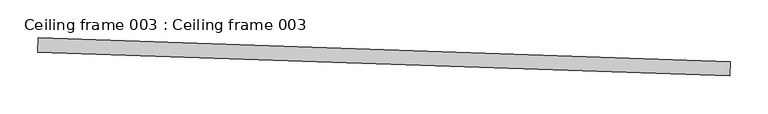
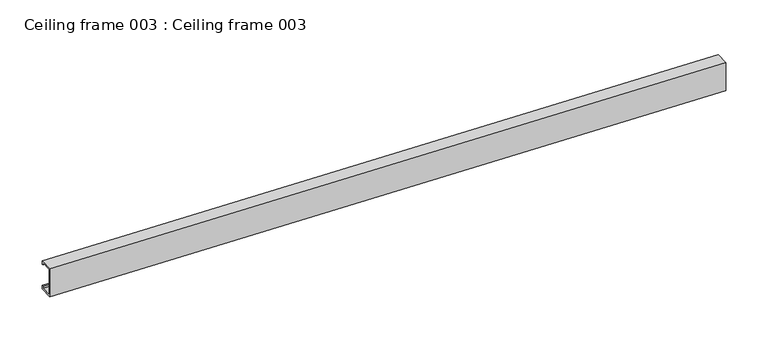
"""IFC4 building model written with IfcOpenShell, lengths in millimetres: proxy geometry, Ceiling frame 003 : Ceiling frame 003."""

from ifc_helpers import new_model, si_unit, frame, origin, place, context, project, spatial, polyline, outline, extrude, source, transform, mapped, element, save


def ceiling_frame_003_ceiling_frame_003_a0b84c22(model_context):
    return source(origin(), model_context, "Body", "SweptSolid", [
        extrude(outline(polyline([(1.822266, 0.0), (1.822266, -4.7988281), (-17.0253902, -4.7988281), (-17.0253902, 35.8222645), (1.8222636, 35.8222645), (1.8222636, 31.0234375), (-1.8e-06, 31.0234375), (-1.8e-06, 33.999999), (-15.2031248, 33.999999), (-15.2031248, -2.9765626), (0.0, -2.9765626), (0.0, 0.0), (1.822266, 0.0)])), frame((34341.2661621, -15859.3860645, 3083.6498026), z_axis=(-0.9994149479163345, 0.034201781845258176, 0.0), x_axis=(0.034201781845258176, 0.9994149479163345, 0.0)), (0.0, 0.0, 1.0), 914.3999924),
    ])


if __name__ == "__main__":
    model = new_model("IFC4")
    model_context = context("Model", 3, world=origin())
    ifc_project = project(units=[si_unit("LENGTHUNIT", "METRE", prefix="MILLI")], contexts=[model_context])
    site = spatial("IfcSite", under=ifc_project)
    building = spatial("IfcBuilding", under=site)
    placement = place(None, origin())
    ceiling_frame_003_ceiling_frame_003_shape = ceiling_frame_003_ceiling_frame_003_a0b84c22(model_context)
    element("IfcBuildingElementProxy", 1, Name="Ceiling frame 003 : Ceiling frame 003", ObjectType="Ceiling frame 003 : Ceiling frame 003", at=placement, inside=building, context=model_context, shape_type="MappedRepresentation", body=[
        mapped(ceiling_frame_003_ceiling_frame_003_shape, transform((0.0, 0.0, 0.0), x_axis=(1.0, 0.0, 0.0), y_axis=(0.0, 1.0, 0.0), z_axis=(0.0, 0.0, 1.0))),
    ])
    save(model, "model.ifc")
